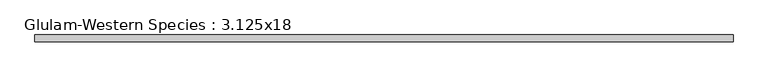
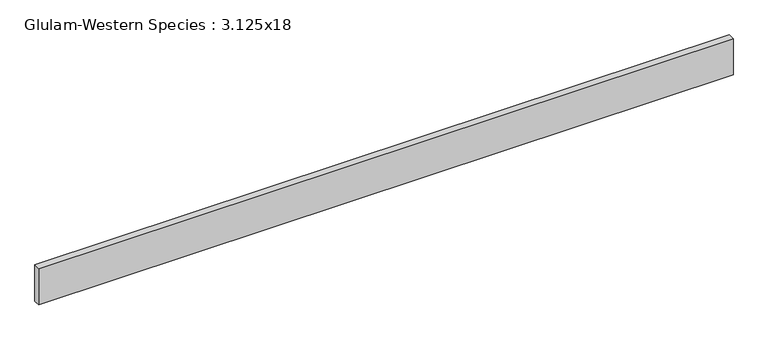
"""IFC4 building model written with IfcOpenShell, lengths in millimetres: beam geometry, Glulam-Western Species : 3.125x18."""

from ifc_helpers import new_model, si_unit, frame, origin, place, context, project, spatial, polyline, outline, extrude, source, transform, mapped, element, save


def glulam_western_species_3_125x18_1ad58a0e(model_context):
    return source(origin(), model_context, "Body", "SweptSolid", [
        extrude(outline(polyline([(4149.7074774, 39.6875), (4149.7074774, -39.6875), (-4149.7074774, -39.6875), (-4149.7074774, 39.6875), (4149.7074774, 39.6875)])), frame((0.0, 0.0, -228.6), z_axis=(0.0, 0.0, 1.0), x_axis=(1.0, 0.0, 0.0)), (0.0, 0.0, 1.0), 457.2),
    ])


if __name__ == "__main__":
    model = new_model("IFC4")
    model_context = context("Model", 3, world=origin())
    ifc_project = project(units=[si_unit("LENGTHUNIT", "METRE", prefix="MILLI")], contexts=[model_context])
    site = spatial("IfcSite", under=ifc_project)
    building = spatial("IfcBuilding", under=site)
    placement = place(None, origin())
    glulam_western_species_3_125x18_shape = glulam_western_species_3_125x18_1ad58a0e(model_context)
    element("IfcBeam", 1, ObjectType="Glulam-Western Species : 3.125x18", at=placement, inside=building, context=model_context, shape_type="MappedRepresentation", body=[
        mapped(glulam_western_species_3_125x18_shape, transform((0.0, 0.0, 0.0), x_axis=(1.0, 0.0, 0.0), y_axis=(0.0, 1.0, 0.0), z_axis=(0.0, 0.0, 1.0))),
    ])
    save(model, "model.ifc")
